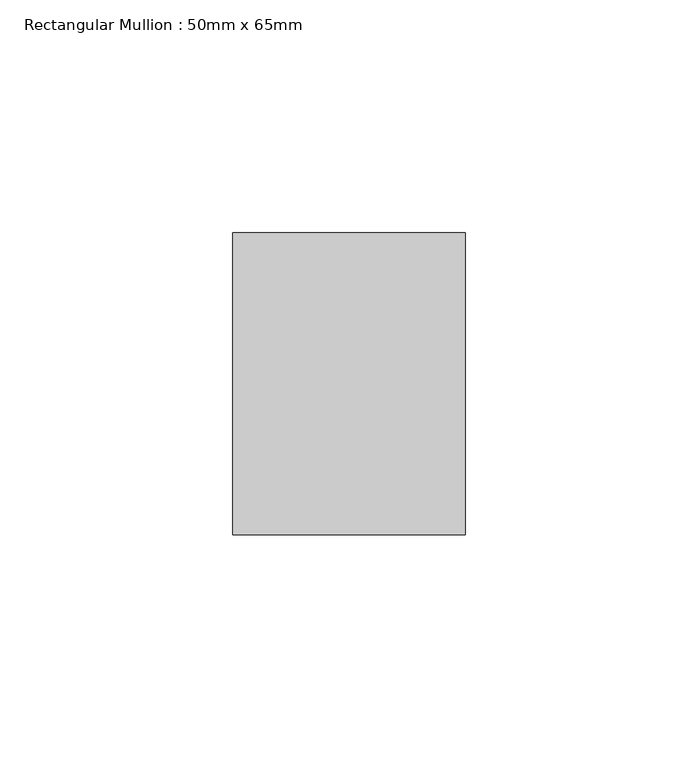
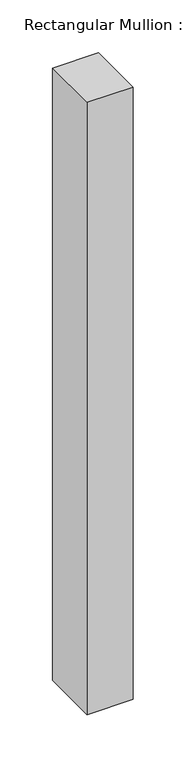
"""IFC4 building model written with IfcOpenShell, lengths in millimetres: member geometry, Rectangular Mullion : 50mm x 65mm."""

from ifc_helpers import new_model, si_unit, frame, origin, place, context, project, spatial, polyline, outline, extrude, source, transform, mapped, element, save


def rectangular_mullion_50mm_x_65mm_0ea7bd25(model_context):
    return source(origin(), model_context, "Body", "SweptSolid", [
        extrude(outline(polyline([(25.0, 32.5), (25.0, -32.5), (-25.0, -32.5), (-25.0, 32.5), (25.0, 32.5)])), frame((0.0, 0.0, -705.7729247), z_axis=(0.0, 0.0, 1.0), x_axis=(1.0, 0.0, 0.0)), (0.0, 0.0, 1.0), 705.7729247),
    ])


if __name__ == "__main__":
    model = new_model("IFC4")
    model_context = context("Model", 3, world=origin())
    ifc_project = project(units=[si_unit("LENGTHUNIT", "METRE", prefix="MILLI")], contexts=[model_context])
    site = spatial("IfcSite", under=ifc_project)
    building = spatial("IfcBuilding", under=site)
    placement = place(None, origin())
    rectangular_mullion_50mm_x_65mm_shape = rectangular_mullion_50mm_x_65mm_0ea7bd25(model_context)
    element("IfcMember", 1, ObjectType="Rectangular Mullion : 50mm x 65mm", at=placement, inside=building, context=model_context, shape_type="MappedRepresentation", body=[
        mapped(rectangular_mullion_50mm_x_65mm_shape, transform((0.0, 0.0, 0.0), x_axis=(1.0, 0.0, 0.0), y_axis=(0.0, 1.0, 0.0), z_axis=(0.0, 0.0, 1.0))),
    ])
    save(model, "model.ifc")
